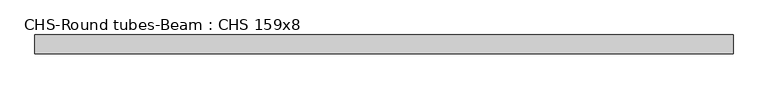
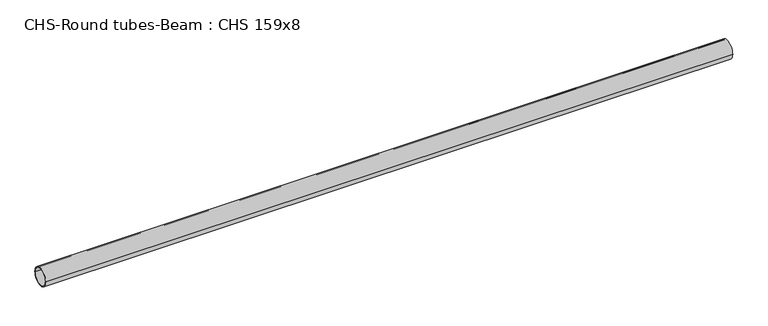
"""IFC4 building model written with IfcOpenShell, lengths in millimetres: beam geometry, CHS-Round tubes-Beam : CHS 159x8."""

from ifc_helpers import new_model, si_unit, point, frame, origin, origin_2d, place, context, project, spatial, circle_curve, trimmed, segment, composite_curve, outline, extrude, source, transform, mapped, element, save


def chs_round_tubes_beam_chs_159x8_92ab799f(model_context):
    return source(origin(), model_context, "Body", "SweptSolid", [
        extrude(outline(composite_curve([segment(trimmed(circle_curve(origin_2d(), 79.5), [point((79.5, 0.0))], [point((-79.5, 0.0))], False, "CARTESIAN"), True, "CONTINUOUS"), segment(trimmed(circle_curve(origin_2d(), 79.5), [point((-79.5, 0.0))], [point((79.5, 0.0))], False, "CARTESIAN"), True, "CONTINUOUS")], self_intersect=False), holes=[composite_curve([segment(trimmed(circle_curve(origin_2d(), 71.5), [point((71.5, 0.0))], [point((-71.5, 0.0))], True, "CARTESIAN"), True, "CONTINUOUS"), segment(trimmed(circle_curve(origin_2d(), 71.5), [point((-71.5, 0.0))], [point((71.5, 0.0))], True, "CARTESIAN"), True, "CONTINUOUS")], self_intersect=False)]), frame((-2949.7984822, 0.0, 0.0), z_axis=(1.0, 0.0, 0.0), x_axis=(0.0, 1.0, 0.0)), (0.0, 0.0, 1.0), 5899.5969644),
    ])


if __name__ == "__main__":
    model = new_model("IFC4")
    model_context = context("Model", 3, world=origin())
    ifc_project = project(units=[si_unit("LENGTHUNIT", "METRE", prefix="MILLI")], contexts=[model_context])
    site = spatial("IfcSite", under=ifc_project)
    building = spatial("IfcBuilding", under=site)
    placement = place(None, origin())
    chs_round_tubes_beam_chs_159x8_shape = chs_round_tubes_beam_chs_159x8_92ab799f(model_context)
    element("IfcBeam", 1, ObjectType="CHS-Round tubes-Beam : CHS 159x8", at=placement, inside=building, context=model_context, shape_type="MappedRepresentation", body=[
        mapped(chs_round_tubes_beam_chs_159x8_shape, transform((0.0, 0.0, 0.0), x_axis=(1.0, 0.0, 0.0), y_axis=(0.0, 1.0, 0.0), z_axis=(0.0, 0.0, 1.0))),
    ])
    save(model, "model.ifc")
